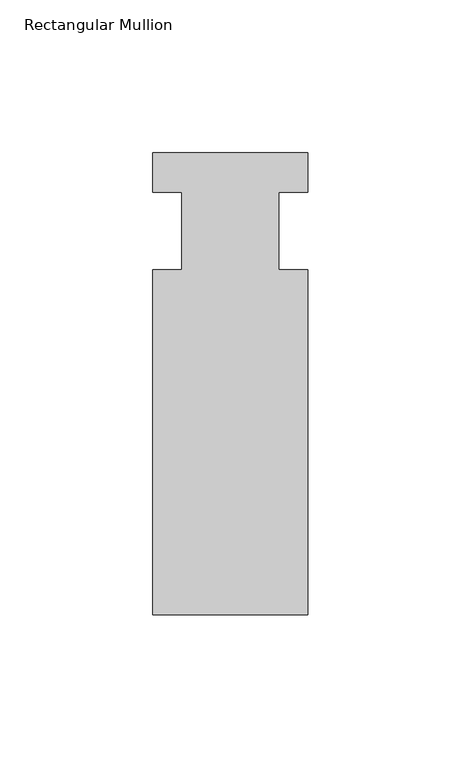
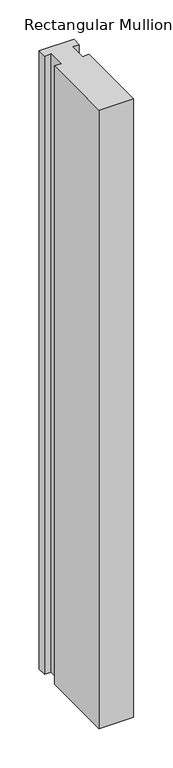
"""IFC4 building model written with IfcOpenShell, lengths in millimetres: member geometry, Rectangular Mullion."""

from ifc_helpers import new_model, si_unit, frame, origin, place, context, project, spatial, polyline, outline, extrude, source, transform, mapped, element, save


def rectangular_mullion_8a50965f(model_context):
    return source(origin(), model_context, "Body", "SweptSolid", [
        extrude(outline(polyline([(-25.4, 25.5984375), (25.4, 25.5984375), (25.4, 12.7), (15.875, 12.7), (15.875, -12.7), (25.4, -12.7), (25.4, -125.6109375), (-25.4, -125.6109375), (-25.4, -12.7), (-15.875, -12.7), (-15.875, 12.7), (-25.4, 12.7), (-25.4, 25.5984375)])), frame((0.0, 0.0, -956.31635), z_axis=(0.0, 0.0, 1.0), x_axis=(1.0, 0.0, 0.0)), (0.0, 0.0, 1.0), 956.31635),
    ])


if __name__ == "__main__":
    model = new_model("IFC4")
    model_context = context("Model", 3, world=origin())
    ifc_project = project(units=[si_unit("LENGTHUNIT", "METRE", prefix="MILLI")], contexts=[model_context])
    site = spatial("IfcSite", under=ifc_project)
    building = spatial("IfcBuilding", under=site)
    placement = place(None, origin())
    rectangular_mullion_shape = rectangular_mullion_8a50965f(model_context)
    element("IfcMember", 1, ObjectType="Rectangular Mullion", at=placement, inside=building, context=model_context, shape_type="MappedRepresentation", body=[
        mapped(rectangular_mullion_shape, transform((0.0, 0.0, 0.0), x_axis=(1.0, 0.0, 0.0), y_axis=(0.0, 1.0, 0.0), z_axis=(0.0, 0.0, 1.0))),
    ])
    save(model, "model.ifc")
